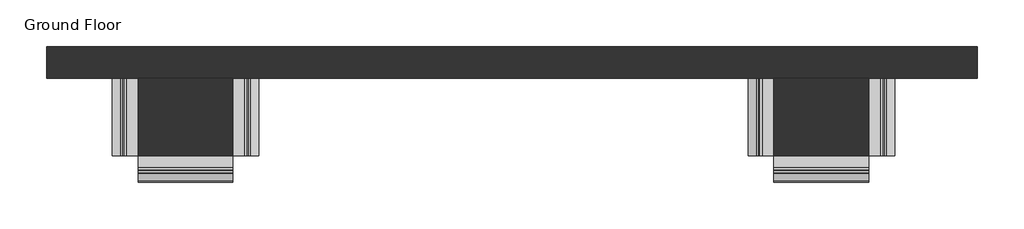
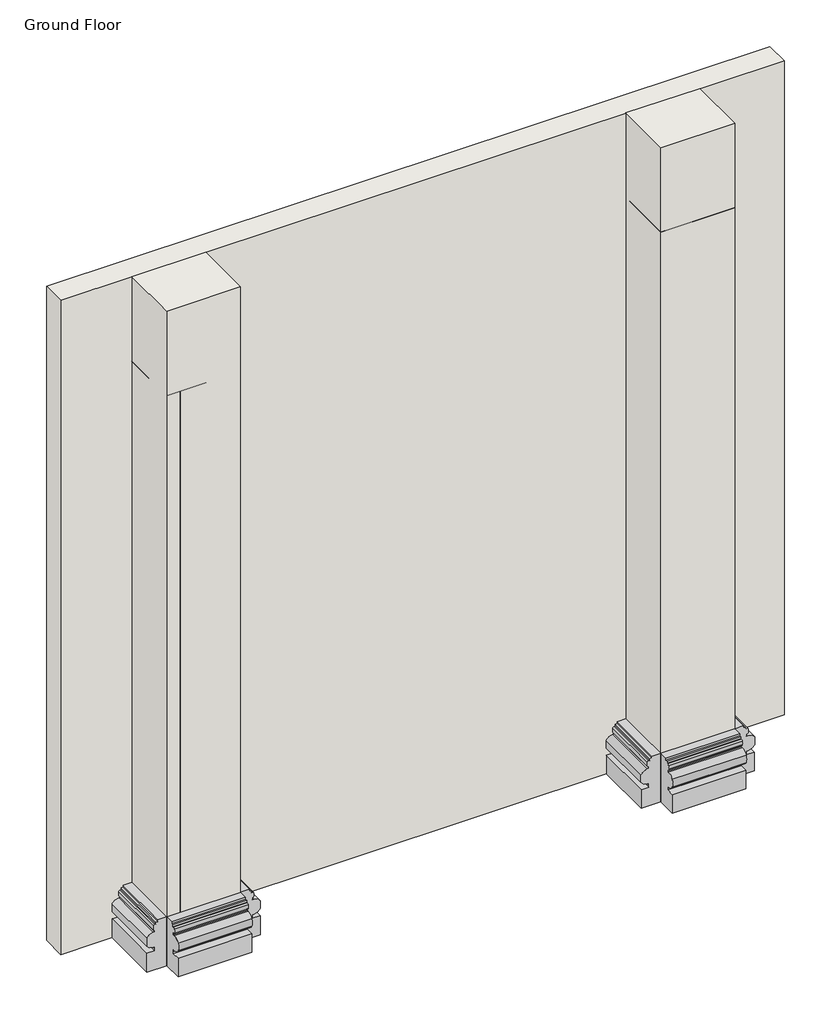
# One storey: 7 walls, 6 proxies.
"""IFC4 building model written with IfcOpenShell, lengths in millimetres."""

from ifc_helpers import new_model, si_unit, point, frame, frame_2d, origin, place, context, project, spatial, polyline, circle_curve, trimmed, segment, composite_curve, outline, extrude, faceted_brep, element, save

model = new_model("IFC4")

# Units and contexts
model_context = context("Model", 3, world=origin())
ifc_project = project(units=[si_unit("LENGTHUNIT", "METRE", prefix="MILLI")], contexts=[model_context])

# Site, building, storey
site = spatial("IfcSite", under=ifc_project)
building = spatial("IfcBuilding", under=site)
storey = spatial("IfcBuildingStorey", under=building, Name="Ground Floor", Elevation=0.0)

# Proxies
placement = place(None, origin())
element("IfcBuildingElementProxy", 1, Name="Wall Sweeps", at=placement, inside=storey, context=model_context, shape_type="SweptSolid", body=[
    extrude(outline(composite_curve([segment(polyline([(3564.1281867, 0.0), (3564.1281867, 100.0), (3604.1281867, 100.0), (3604.1281867, 110.5572346), (3604.1281867, 120.5572346), (3596.6712339, 120.5572346)]), True, "CONTINUOUS"), segment(trimmed(circle_curve(frame_2d((3596.6712339, 159.8572346)), 39.3), [point((3596.6712339, 120.5572346))], [point((3562.881541, 139.7886858))], False, "CARTESIAN"), True, "CONTINUOUS"), segment(trimmed(circle_curve(frame_2d((3614.2065371, 160.5572346)), 55.367751), [point((3562.881541, 139.7886858))], [point((3562.881541, 181.3257835))], False, "CARTESIAN"), True, "CONTINUOUS"), segment(trimmed(circle_curve(frame_2d((3596.68833, 161.2271892)), 39.3300455), [point((3562.881541, 181.3257835))], [point((3596.68833, 200.5572346))], False, "CARTESIAN"), True, "CONTINUOUS"), segment(polyline([(3596.68833, 200.5572346), (3604.1281867, 200.5572346), (3604.1281867, 210.5572346)]), True, "CONTINUOUS"), segment(trimmed(circle_curve(frame_2d((3604.1281867, 220.5572346)), 10.0), [point((3604.1281867, 210.5572346))], [point((3595.626108, 215.2927634))], False, "CARTESIAN"), True, "CONTINUOUS"), segment(trimmed(circle_curve(frame_2d((3624.2065371, 225.5572346)), 30.367751), [point((3595.626108, 215.2927634))], [point((3595.626108, 235.8217059))], False, "CARTESIAN"), True, "CONTINUOUS"), segment(trimmed(circle_curve(frame_2d((3604.1281867, 230.5572346)), 10.0), [point((3595.626108, 235.8217059))], [point((3604.1281867, 240.5572346))], False, "CARTESIAN"), True, "CONTINUOUS"), segment(polyline([(3604.1281867, 240.5572346), (3609.1281867, 240.5572346), (3609.1281867, 250.5572346), (3619.1281867, 250.5572346), (3619.1281867, 260.5572346), (3664.1281867, 260.5572346), (3664.1281867, 250.5572346), (3664.1281867, 0.0), (3564.1281867, 0.0)]), True, "CONTINUOUS")], self_intersect=False)), frame((-15773.6704471, 0.0, 0.0), z_axis=(1.0, 0.0, 0.0), x_axis=(0.0, 1.0, 0.0)), (0.0, 0.0, 1.0), 373.0),
])
element("IfcBuildingElementProxy", 2, Name="Wall Sweeps", at=placement, inside=storey, context=model_context, shape_type="SweptSolid", body=[
    extrude(outline(composite_curve([segment(polyline([(0.0, -15300.6704471), (100.0, -15300.6704471), (100.0, -15340.6704471), (110.5572346, -15340.6704471), (120.5572346, -15340.6704471), (120.5572346, -15333.2134944)]), True, "CONTINUOUS"), segment(trimmed(circle_curve(frame_2d((159.8572346, -15333.2134944)), 39.3), [point((120.5572346, -15333.2134944))], [point((139.7886858, -15299.4238014))], False, "CARTESIAN"), True, "CONTINUOUS"), segment(trimmed(circle_curve(frame_2d((160.5572346, -15350.7487976)), 55.367751), [point((139.7886858, -15299.4238014))], [point((181.3257835, -15299.4238014))], False, "CARTESIAN"), True, "CONTINUOUS"), segment(trimmed(circle_curve(frame_2d((161.2271892, -15333.2305905)), 39.3300455), [point((181.3257835, -15299.4238014))], [point((200.5572346, -15333.2305905))], False, "CARTESIAN"), True, "CONTINUOUS"), segment(polyline([(200.5572346, -15333.2305905), (200.5572346, -15340.6704471), (210.5572346, -15340.6704471)]), True, "CONTINUOUS"), segment(trimmed(circle_curve(frame_2d((220.5572346, -15340.6704471)), 10.0), [point((210.5572346, -15340.6704471))], [point((215.2927634, -15332.1683684))], False, "CARTESIAN"), True, "CONTINUOUS"), segment(trimmed(circle_curve(frame_2d((225.5572346, -15360.7487976)), 30.367751), [point((215.2927634, -15332.1683684))], [point((235.8217059, -15332.1683684))], False, "CARTESIAN"), True, "CONTINUOUS"), segment(trimmed(circle_curve(frame_2d((230.5572346, -15340.6704471)), 10.0), [point((235.8217059, -15332.1683684))], [point((240.5572346, -15340.6704471))], False, "CARTESIAN"), True, "CONTINUOUS"), segment(polyline([(240.5572346, -15340.6704471), (240.5572346, -15345.6704471), (250.5572346, -15345.6704471), (250.5572346, -15355.6704471), (260.5572346, -15355.6704471), (260.5572346, -15400.6704471), (250.5572346, -15400.6704471), (0.0, -15400.6704471), (0.0, -15300.6704471)]), True, "CONTINUOUS")], self_intersect=False)), frame((0.0, 3664.1281867, 0.0), z_axis=(0.0, 1.0, 0.0), x_axis=(0.0, 0.0, 1.0)), (0.0, 0.0, 1.0), 304.8),
])
element("IfcBuildingElementProxy", 3, Name="Wall Sweeps", at=placement, inside=storey, context=model_context, shape_type="SweptSolid", body=[
    extrude(outline(composite_curve([segment(polyline([(0.0, -15873.6704471), (0.0, -15773.6704471), (250.5572346, -15773.6704471), (260.5572346, -15773.6704471), (260.5572346, -15818.6704471), (250.5572346, -15818.6704471), (250.5572346, -15828.6704471), (240.5572346, -15828.6704471), (240.5572346, -15833.6704471)]), True, "CONTINUOUS"), segment(trimmed(circle_curve(frame_2d((230.5572346, -15833.6704471)), 10.0), [point((240.5572346, -15833.6704471))], [point((235.8217059, -15842.1725258))], False, "CARTESIAN"), True, "CONTINUOUS"), segment(trimmed(circle_curve(frame_2d((225.5572346, -15813.5920967)), 30.367751), [point((235.8217059, -15842.1725258))], [point((215.2927634, -15842.1725258))], False, "CARTESIAN"), True, "CONTINUOUS"), segment(trimmed(circle_curve(frame_2d((220.5572346, -15833.6704471)), 10.0), [point((215.2927634, -15842.1725258))], [point((210.5572346, -15833.6704471))], False, "CARTESIAN"), True, "CONTINUOUS"), segment(polyline([(210.5572346, -15833.6704471), (200.5572346, -15833.6704471), (200.5572346, -15841.1103038)]), True, "CONTINUOUS"), segment(trimmed(circle_curve(frame_2d((161.2271892, -15841.1103038)), 39.3300455), [point((200.5572346, -15841.1103038))], [point((181.3257835, -15874.9170928))], False, "CARTESIAN"), True, "CONTINUOUS"), segment(trimmed(circle_curve(frame_2d((160.5572346, -15823.5920967)), 55.367751), [point((181.3257835, -15874.9170928))], [point((139.7886858, -15874.9170928))], False, "CARTESIAN"), True, "CONTINUOUS"), segment(trimmed(circle_curve(frame_2d((159.8572346, -15841.1273999)), 39.3), [point((139.7886858, -15874.9170928))], [point((120.5572346, -15841.1273999))], False, "CARTESIAN"), True, "CONTINUOUS"), segment(polyline([(120.5572346, -15841.1273999), (120.5572346, -15833.6704471), (110.5572346, -15833.6704471), (100.0, -15833.6704471), (100.0, -15873.6704471), (0.0, -15873.6704471)]), True, "CONTINUOUS")], self_intersect=False)), frame((0.0, 3664.1281867, 0.0), z_axis=(0.0, 1.0, 0.0), x_axis=(0.0, 0.0, 1.0)), (0.0, 0.0, 1.0), 304.8),
])
element("IfcBuildingElementProxy", 4, Name="Wall Sweeps", at=placement, inside=storey, context=model_context, shape_type="SweptSolid", body=[
    extrude(outline(composite_curve([segment(polyline([(3564.1281867, 0.0), (3564.1281867, 100.0), (3604.1281867, 100.0), (3604.1281867, 110.5572346), (3604.1281867, 120.5572346), (3596.6712339, 120.5572346)]), True, "CONTINUOUS"), segment(trimmed(circle_curve(frame_2d((3596.6712339, 159.8572346)), 39.3), [point((3596.6712339, 120.5572346))], [point((3562.881541, 139.7886858))], False, "CARTESIAN"), True, "CONTINUOUS"), segment(trimmed(circle_curve(frame_2d((3614.2065371, 160.5572346)), 55.367751), [point((3562.881541, 139.7886858))], [point((3562.881541, 181.3257835))], False, "CARTESIAN"), True, "CONTINUOUS"), segment(trimmed(circle_curve(frame_2d((3596.68833, 161.2271892)), 39.3300455), [point((3562.881541, 181.3257835))], [point((3596.68833, 200.5572346))], False, "CARTESIAN"), True, "CONTINUOUS"), segment(polyline([(3596.68833, 200.5572346), (3604.1281867, 200.5572346), (3604.1281867, 210.5572346)]), True, "CONTINUOUS"), segment(trimmed(circle_curve(frame_2d((3604.1281867, 220.5572346)), 10.0), [point((3604.1281867, 210.5572346))], [point((3595.626108, 215.2927634))], False, "CARTESIAN"), True, "CONTINUOUS"), segment(trimmed(circle_curve(frame_2d((3624.2065371, 225.5572346)), 30.367751), [point((3595.626108, 215.2927634))], [point((3595.626108, 235.8217059))], False, "CARTESIAN"), True, "CONTINUOUS"), segment(trimmed(circle_curve(frame_2d((3604.1281867, 230.5572346)), 10.0), [point((3595.626108, 235.8217059))], [point((3604.1281867, 240.5572346))], False, "CARTESIAN"), True, "CONTINUOUS"), segment(polyline([(3604.1281867, 240.5572346), (3609.1281867, 240.5572346), (3609.1281867, 250.5572346), (3619.1281867, 250.5572346), (3619.1281867, 260.5572346), (3664.1281867, 260.5572346), (3664.1281867, 250.5572346), (3664.1281867, 0.0), (3564.1281867, 0.0)]), True, "CONTINUOUS")], self_intersect=False)), frame((-13273.6704471, 0.0, 0.0), z_axis=(1.0, 0.0, 0.0), x_axis=(0.0, 1.0, 0.0)), (0.0, 0.0, 1.0), 373.0),
])
element("IfcBuildingElementProxy", 5, Name="Wall Sweeps", at=placement, inside=storey, context=model_context, shape_type="SweptSolid", body=[
    extrude(outline(composite_curve([segment(polyline([(0.0, -12800.6704471), (100.0, -12800.6704471), (100.0, -12840.6704471), (110.5572346, -12840.6704471), (120.5572346, -12840.6704471), (120.5572346, -12833.2134944)]), True, "CONTINUOUS"), segment(trimmed(circle_curve(frame_2d((159.8572346, -12833.2134944)), 39.3), [point((120.5572346, -12833.2134944))], [point((139.7886858, -12799.4238014))], False, "CARTESIAN"), True, "CONTINUOUS"), segment(trimmed(circle_curve(frame_2d((160.5572346, -12850.7487976)), 55.367751), [point((139.7886858, -12799.4238014))], [point((181.3257835, -12799.4238014))], False, "CARTESIAN"), True, "CONTINUOUS"), segment(trimmed(circle_curve(frame_2d((161.2271892, -12833.2305905)), 39.3300455), [point((181.3257835, -12799.4238014))], [point((200.5572346, -12833.2305905))], False, "CARTESIAN"), True, "CONTINUOUS"), segment(polyline([(200.5572346, -12833.2305905), (200.5572346, -12840.6704471), (210.5572346, -12840.6704471)]), True, "CONTINUOUS"), segment(trimmed(circle_curve(frame_2d((220.5572346, -12840.6704471)), 10.0), [point((210.5572346, -12840.6704471))], [point((215.2927634, -12832.1683684))], False, "CARTESIAN"), True, "CONTINUOUS"), segment(trimmed(circle_curve(frame_2d((225.5572346, -12860.7487976)), 30.367751), [point((215.2927634, -12832.1683684))], [point((235.8217059, -12832.1683684))], False, "CARTESIAN"), True, "CONTINUOUS"), segment(trimmed(circle_curve(frame_2d((230.5572346, -12840.6704471)), 10.0), [point((235.8217059, -12832.1683684))], [point((240.5572346, -12840.6704471))], False, "CARTESIAN"), True, "CONTINUOUS"), segment(polyline([(240.5572346, -12840.6704471), (240.5572346, -12845.6704471), (250.5572346, -12845.6704471), (250.5572346, -12855.6704471), (260.5572346, -12855.6704471), (260.5572346, -12900.6704471), (250.5572346, -12900.6704471), (0.0, -12900.6704471), (0.0, -12800.6704471)]), True, "CONTINUOUS")], self_intersect=False)), frame((0.0, 3664.1281867, 0.0), z_axis=(0.0, 1.0, 0.0), x_axis=(0.0, 0.0, 1.0)), (0.0, 0.0, 1.0), 304.8),
])
element("IfcBuildingElementProxy", 6, Name="Wall Sweeps", at=placement, inside=storey, context=model_context, shape_type="SweptSolid", body=[
    extrude(outline(composite_curve([segment(polyline([(0.0, -13373.6704471), (0.0, -13273.6704471), (250.5572346, -13273.6704471), (260.5572346, -13273.6704471), (260.5572346, -13318.6704471), (250.5572346, -13318.6704471), (250.5572346, -13328.6704471), (240.5572346, -13328.6704471), (240.5572346, -13333.6704471)]), True, "CONTINUOUS"), segment(trimmed(circle_curve(frame_2d((230.5572346, -13333.6704471)), 10.0), [point((240.5572346, -13333.6704471))], [point((235.8217059, -13342.1725258))], False, "CARTESIAN"), True, "CONTINUOUS"), segment(trimmed(circle_curve(frame_2d((225.5572346, -13313.5920967)), 30.367751), [point((235.8217059, -13342.1725258))], [point((215.2927634, -13342.1725258))], False, "CARTESIAN"), True, "CONTINUOUS"), segment(trimmed(circle_curve(frame_2d((220.5572346, -13333.6704471)), 10.0), [point((215.2927634, -13342.1725258))], [point((210.5572346, -13333.6704471))], False, "CARTESIAN"), True, "CONTINUOUS"), segment(polyline([(210.5572346, -13333.6704471), (200.5572346, -13333.6704471), (200.5572346, -13341.1103038)]), True, "CONTINUOUS"), segment(trimmed(circle_curve(frame_2d((161.2271892, -13341.1103038)), 39.3300455), [point((200.5572346, -13341.1103038))], [point((181.3257835, -13374.9170928))], False, "CARTESIAN"), True, "CONTINUOUS"), segment(trimmed(circle_curve(frame_2d((160.5572346, -13323.5920967)), 55.367751), [point((181.3257835, -13374.9170928))], [point((139.7886858, -13374.9170928))], False, "CARTESIAN"), True, "CONTINUOUS"), segment(trimmed(circle_curve(frame_2d((159.8572346, -13341.1273999)), 39.3), [point((139.7886858, -13374.9170928))], [point((120.5572346, -13341.1273999))], False, "CARTESIAN"), True, "CONTINUOUS"), segment(polyline([(120.5572346, -13341.1273999), (120.5572346, -13333.6704471), (110.5572346, -13333.6704471), (100.0, -13333.6704471), (100.0, -13373.6704471), (0.0, -13373.6704471)]), True, "CONTINUOUS")], self_intersect=False)), frame((0.0, 3664.1281867, 0.0), z_axis=(0.0, 1.0, 0.0), x_axis=(0.0, 0.0, 1.0)), (0.0, 0.0, 1.0), 304.8),
])

# Walls
element("IfcWall", 7, ObjectType="Generic - 12\"", at=placement, inside=storey, context=model_context, shape_type="Brep", body=[
    faceted_brep([(-15773.6704471, 3664.1281867, 0.0), (-15400.6704471, 3664.1281867, 0.0), (-15400.6704471, 3664.1281867, 260.5572346), (-15400.6704471, 3664.1281867, 3500.0), (-15773.6704471, 3664.1281867, 3500.0), (-15773.6704471, 3664.1281867, 260.5572346), (-15773.6704471, 3968.9281867, 0.0), (-15773.6704471, 3968.9281867, 3500.0), (-15400.6704471, 3968.9281867, 3500.0), (-15400.6704471, 3968.9281867, 0.0)], [[[0, 1, 2, 3, 4, 5]], [[6, 7, 8, 9]], [[1, 0, 6, 9]], [[3, 2, 1, 9, 8]], [[4, 3, 8, 7]], [[0, 5, 4, 7, 6]]]),
])
element("IfcWall", 8, ObjectType="Generic - 12\"", at=placement, inside=storey, context=model_context, shape_type="Brep", body=[
    faceted_brep([(-15705.4704471, 3968.9281867, 0.0), (-15705.4704471, 3664.1281867, 0.0), (-15705.4704471, 3664.1281867, 3048.0), (-15705.4704471, 3968.9281867, 3048.0), (-15400.6704471, 3968.9281867, 0.0), (-15400.6704471, 3968.9281867, 260.5572346), (-15400.6704471, 3968.9281867, 3048.0), (-15400.6704471, 3664.1281867, 3048.0), (-15400.6704471, 3664.1281867, 260.5572346), (-15400.6704471, 3664.1281867, 0.0)], [[[0, 1, 2, 3]], [[4, 5, 6, 7, 8, 9]], [[1, 0, 4, 9]], [[2, 1, 9, 8, 7]], [[3, 2, 7, 6]], [[0, 3, 6, 5, 4]]]),
])
element("IfcWall", 9, ObjectType="Generic - 12\"", at=placement, inside=storey, context=model_context, shape_type="Brep", body=[
    faceted_brep([(-15468.8704471, 3664.1281867, 0.0), (-15468.8704471, 3968.9281867, 0.0), (-15468.8704471, 3968.9281867, 3048.0), (-15468.8704471, 3664.1281867, 3048.0), (-15773.6704471, 3664.1281867, 0.0), (-15773.6704471, 3664.1281867, 260.5572346), (-15773.6704471, 3664.1281867, 3048.0), (-15773.6704471, 3968.9281867, 3048.0), (-15773.6704471, 3968.9281867, 260.5572346), (-15773.6704471, 3968.9281867, 0.0)], [[[0, 1, 2, 3]], [[4, 5, 6, 7, 8, 9]], [[1, 0, 4, 9]], [[3, 2, 7, 6]], [[0, 3, 6, 5, 4]], [[2, 1, 9, 8, 7]]]),
])
element("IfcWall", 10, ObjectType="Generic - 12\"", at=placement, inside=storey, context=model_context, shape_type="Brep", body=[
    faceted_brep([(-13273.6704471, 3664.1281867, 0.0), (-12900.6704471, 3664.1281867, 0.0), (-12900.6704471, 3664.1281867, 260.5572346), (-12900.6704471, 3664.1281867, 3500.0), (-13273.6704471, 3664.1281867, 3500.0), (-13273.6704471, 3664.1281867, 260.5572346), (-13273.6704471, 3968.9281867, 0.0), (-13273.6704471, 3968.9281867, 3500.0), (-12900.6704471, 3968.9281867, 3500.0), (-12900.6704471, 3968.9281867, 0.0)], [[[0, 1, 2, 3, 4, 5]], [[6, 7, 8, 9]], [[1, 0, 6, 9]], [[3, 2, 1, 9, 8]], [[4, 3, 8, 7]], [[0, 5, 4, 7, 6]]]),
])
element("IfcWall", 11, ObjectType="Generic - 12\"", at=placement, inside=storey, context=model_context, shape_type="Brep", body=[
    faceted_brep([(-13205.4704471, 3968.9281867, 0.0), (-13205.4704471, 3664.1281867, 0.0), (-13205.4704471, 3664.1281867, 3048.0), (-13205.4704471, 3968.9281867, 3048.0), (-12900.6704471, 3968.9281867, 0.0), (-12900.6704471, 3968.9281867, 260.5572346), (-12900.6704471, 3968.9281867, 3048.0), (-12900.6704471, 3664.1281867, 3048.0), (-12900.6704471, 3664.1281867, 260.5572346), (-12900.6704471, 3664.1281867, 0.0)], [[[0, 1, 2, 3]], [[4, 5, 6, 7, 8, 9]], [[1, 0, 4, 9]], [[2, 1, 9, 8, 7]], [[3, 2, 7, 6]], [[0, 3, 6, 5, 4]]]),
])
element("IfcWall", 12, ObjectType="Generic - 12\"", at=placement, inside=storey, context=model_context, shape_type="Brep", body=[
    faceted_brep([(-13273.6704471, 3968.9281867, 0.0), (-13273.6704471, 3664.1281867, 0.0), (-13273.6704471, 3664.1281867, 260.5572346), (-13273.6704471, 3664.1281867, 3048.0), (-13273.6704471, 3968.9281867, 3048.0), (-13273.6704471, 3968.9281867, 260.5572346), (-12968.8704471, 3968.9281867, 0.0), (-12968.8704471, 3968.9281867, 3048.0), (-12968.8704471, 3664.1281867, 3048.0), (-12968.8704471, 3664.1281867, 0.0)], [[[0, 1, 2, 3, 4, 5]], [[6, 7, 8, 9]], [[1, 0, 6, 9]], [[3, 2, 1, 9, 8]], [[4, 3, 8, 7]], [[0, 5, 4, 7, 6]]]),
])
element("IfcWall", 13, ObjectType="Interior - 4 7/8\" Partition (1-hr)", at=placement, inside=storey, context=model_context, shape_type="Brep", body=[
    faceted_brep([(-12473.6704471, 4092.7531867, 0.0), (-16133.6704471, 4092.7531867, 0.0), (-16133.6704471, 4092.7531867, 3500.0), (-12473.6704471, 4092.7531867, 3500.0), (-12473.6704471, 3968.9281867, 0.0), (-12473.6704471, 3968.9281867, 3500.0), (-16133.6704471, 3968.9281867, 3500.0), (-16133.6704471, 3968.9281867, 0.0), (-15773.6704471, 3968.9281867, 0.0), (-15705.4704471, 3968.9281867, 0.0), (-15468.8704471, 3968.9281867, 0.0), (-15400.6704471, 3968.9281867, 0.0), (-13273.6704471, 3968.9281867, 0.0), (-13205.4704471, 3968.9281867, 0.0), (-12968.8704471, 3968.9281867, 0.0), (-12900.6704471, 3968.9281867, 0.0)], [[[0, 1, 2, 3]], [[4, 5, 6, 7, 8, 9, 10, 11, 12, 13, 14, 15]], [[1, 0, 4, 15, 14, 13, 12, 11, 10, 9, 8, 7]], [[2, 1, 7, 6]], [[3, 2, 6, 5]], [[0, 3, 5, 4]]]),
])

save(model, "model.ifc")
